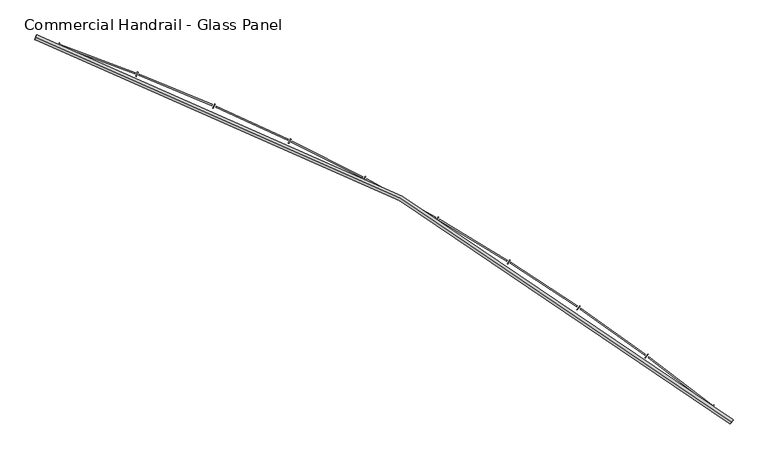
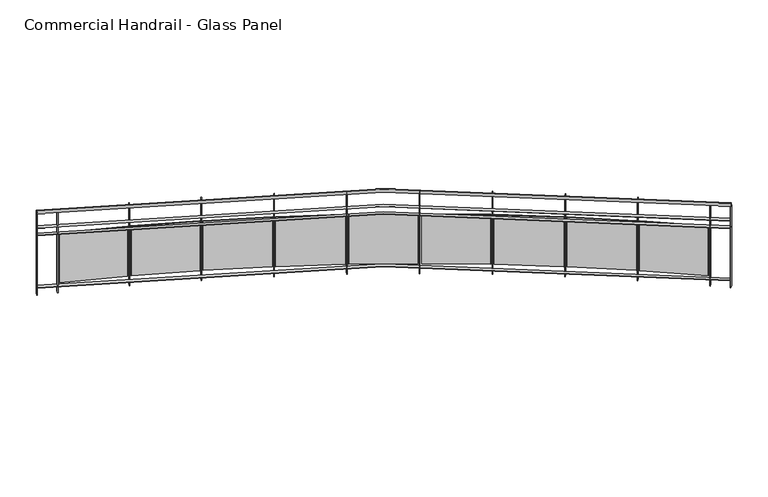
"""IFC4 building model written with IfcOpenShell, lengths in millimetres: railing geometry, Commercial Handrail - Glass Panel."""

from ifc_helpers import new_model, si_unit, point, frame, origin, place, context, project, spatial, polyline, circle_curve, ellipse_curve, trimmed, outline, extrude, source, transform, mapped, element, save
from ifc_brep_helpers import plane_surface, cylinder_surface, revolved_surface, advanced_brep


def commercial_handrail_glass_panel_5fb03b72(model_context):
    return source(origin(), model_context, "Body", "SolidModel", [
        advanced_brep(
        [(150583.3685507, -40178.0609172, 12882.5), (143915.4015975, -36490.7578825, 12882.5), (143915.4015975, -36490.7578825, 12917.5), (150583.3685507, -40178.0609172, 12917.5)],
        [
            (0, 1, circle_curve(frame((137048.5497623, -56781.179875, 12882.5), z_axis=(0.0, 0.0, 1.0), x_axis=(0.3205678761961466, 0.9472255469269671, 0.0)), 21420.8981782)),
            (1, 2, ellipse_curve(frame((143915.4015975, -36490.7578825, 12900.0), z_axis=(0.9472255469269653, -0.32056787619615223, 0.0), x_axis=(-0.32056787619615223, -0.9472255469269653, 0.0)), 25.0, 17.5)),
            (2, 3, circle_curve(frame((137048.5497623, -56781.179875, 12917.5), z_axis=(0.0, 0.0, -1.0), x_axis=(0.3205678761961466, 0.9472255469269671, 0.0)), 21420.8981782)),
            (3, 0, ellipse_curve(frame((150583.3685507, -40178.0609172, 12900.0), z_axis=(-0.7750897660636332, 0.6318511332136888, 0.0), x_axis=(-0.6318511332136887, -0.775089766063633, 0.0)), 25.0, 17.5)),
            (2, 1, ellipse_curve(frame((143915.4015975, -36490.7578825, 12900.0), z_axis=(0.9472255469269653, -0.32056787619615223, 0.0), x_axis=(-0.32056787619615223, -0.9472255469269653, 0.0)), 25.0, 17.5)),
            (0, 3, ellipse_curve(frame((150583.3685507, -40178.0609172, 12900.0), z_axis=(-0.7750897660636332, 0.6318511332136888, 0.0), x_axis=(-0.6318511332136887, -0.775089766063633, 0.0)), 25.0, 17.5)),
        ],
        [
            revolved_surface(trimmed(ellipse_curve(frame((143915.4015975, -36490.7578825, 12900.0), z_axis=(-0.9472255469269671, 0.3205678761961466, 0.0), x_axis=(0.0, 0.0, -1.0)), 17.5, 25.0), [point((143915.4015975, -36490.7578825, 12917.5))], [point((143915.4015975, -36490.7578825, 12882.5))], True, "CARTESIAN"), (137048.5497623, -56781.179875, 12900.0), (0.0, 0.0, -1.0)),
            revolved_surface(trimmed(ellipse_curve(frame((143915.4015975, -36490.7578825, 12900.0), z_axis=(-0.9472255469269671, 0.3205678761961466, 0.0), x_axis=(0.0, 0.0, -1.0)), 17.5, 25.0), [point((143915.4015975, -36490.7578825, 12882.5))], [point((143915.4015975, -36490.7578825, 12917.5))], True, "CARTESIAN"), (137048.5497623, -56781.179875, 12900.0), (0.0, 0.0, -1.0)),
            plane_surface(frame((143915.4015975, -36490.7578825, 12900.0), z_axis=(-0.9472255469269671, 0.3205678761961466, 0.0), x_axis=(0.3205678761961466, 0.9472255469269671, 0.0))),
            plane_surface(frame((150583.3685507, -40178.0609172, 12900.0), z_axis=(0.7750897660636331, -0.6318511332136886, 0.0), x_axis=(0.6318511332136886, 0.7750897660636331, 0.0))),
        ],
        [
            (0, [[1, 2, 3, 4]]),
            (1, [[-3, 5, -1, 6]]),
            (2, [[-2, -5]]),
            (3, [[-6, -4]]),
        ],
    ),
        advanced_brep(
        [(150597.5852012, -40160.6213975, 12700.0), (143922.6143747, -36469.4453077, 12700.0), (143908.1888203, -36512.0704573, 12700.0), (150569.1519002, -40195.500437, 12700.0), (150597.5852012, -40160.6213975, 12694.0), (143922.6143747, -36469.4453077, 12694.0), (150569.1519002, -40195.500437, 12694.0), (143908.1888203, -36512.0704573, 12694.0)],
        [
            (0, 1, circle_curve(frame((137048.5497623, -56781.179875, 12700.0), z_axis=(0.0, 0.0, 1.0), x_axis=(0.3205678761961466, 0.9472255469269671, 0.0)), 21443.3981782)),
            (1, 2),
            (2, 3, circle_curve(frame((137048.5497623, -56781.179875, 12700.0), z_axis=(0.0, 0.0, -1.0), x_axis=(0.3205678761961466, 0.9472255469269671, 0.0)), 21398.3981782)),
            (3, 0),
            (4, 5, circle_curve(frame((137048.5497623, -56781.179875, 12694.0), z_axis=(0.0, 0.0, 1.0), x_axis=(0.3205678761961466, 0.9472255469269671, 0.0)), 21443.3981782)),
            (5, 1),
            (0, 4),
            (6, 7, circle_curve(frame((137048.5497623, -56781.179875, 12694.0), z_axis=(0.0, 0.0, 1.0), x_axis=(0.3205678761961466, 0.9472255469269671, 0.0)), 21398.3981782)),
            (7, 5),
            (4, 6),
            (2, 7),
            (6, 3),
        ],
        [
            plane_surface(frame((137048.5497623, -56781.179875, 12700.0), z_axis=(0.0, 0.0, 1.0), x_axis=(0.3205678761961466, 0.9472255469269671, 0.0))),
            cylinder_surface(frame((137048.5497623, -56781.179875, 12700.0), z_axis=(0.0, 0.0, -1.0), x_axis=(0.3205678761961466, 0.9472255469269671, 0.0)), 21443.3981782),
            plane_surface(frame((137048.5497623, -56781.179875, 12694.0), z_axis=(0.0, 0.0, -1.0), x_axis=(0.3205678761961466, 0.9472255469269671, 0.0))),
            revolved_surface(polyline([(143908.18882028508, -36512.07045729349, 12694.0), (143908.18882028508, -36512.07045729349, 12700.0)]), (137048.5497623, -56781.179875, 12700.0), (0.0, 0.0, -1.0)),
            plane_surface(frame((143915.4015975, -36490.7578825, 12700.0), z_axis=(-0.9472255469269671, 0.3205678761961466, 0.0), x_axis=(0.3205678761961466, 0.9472255469269671, 0.0))),
            plane_surface(frame((150583.3685507, -40178.0609172, 12700.0), z_axis=(0.7750897660636331, -0.6318511332136886, 0.0), x_axis=(0.6318511332136886, 0.7750897660636331, 0.0))),
        ],
        [
            (0, [[1, 2, 3, 4]]),
            (1, [[5, 6, -1, 7]]),
            (2, [[8, 9, -5, 10]]),
            (3, [[-3, 11, -8, 12]]),
            (4, [[-2, -6, -9, -11]]),
            (5, [[-12, -10, -7, -4]]),
        ],
    ),
        advanced_brep(
        [(150597.5852012, -40160.6213975, 12600.0), (143922.6143747, -36469.4453077, 12600.0), (143908.1888203, -36512.0704573, 12600.0), (150569.1519002, -40195.500437, 12600.0), (150597.5852012, -40160.6213975, 12594.0), (143922.6143747, -36469.4453077, 12594.0), (150569.1519002, -40195.500437, 12594.0), (143908.1888203, -36512.0704573, 12594.0)],
        [
            (0, 1, circle_curve(frame((137048.5497623, -56781.179875, 12600.0), z_axis=(0.0, 0.0, 1.0), x_axis=(0.3205678761961466, 0.9472255469269671, 0.0)), 21443.3981782)),
            (1, 2),
            (2, 3, circle_curve(frame((137048.5497623, -56781.179875, 12600.0), z_axis=(0.0, 0.0, -1.0), x_axis=(0.3205678761961466, 0.9472255469269671, 0.0)), 21398.3981782)),
            (3, 0),
            (4, 5, circle_curve(frame((137048.5497623, -56781.179875, 12594.0), z_axis=(0.0, 0.0, 1.0), x_axis=(0.3205678761961466, 0.9472255469269671, 0.0)), 21443.3981782)),
            (5, 1),
            (0, 4),
            (6, 7, circle_curve(frame((137048.5497623, -56781.179875, 12594.0), z_axis=(0.0, 0.0, 1.0), x_axis=(0.3205678761961466, 0.9472255469269671, 0.0)), 21398.3981782)),
            (7, 5),
            (4, 6),
            (2, 7),
            (6, 3),
        ],
        [
            plane_surface(frame((137048.5497623, -56781.179875, 12600.0), z_axis=(0.0, 0.0, 1.0), x_axis=(0.3205678761961466, 0.9472255469269671, 0.0))),
            cylinder_surface(frame((137048.5497623, -56781.179875, 12600.0), z_axis=(0.0, 0.0, -1.0), x_axis=(0.3205678761961466, 0.9472255469269671, 0.0)), 21443.3981782),
            plane_surface(frame((137048.5497623, -56781.179875, 12594.0), z_axis=(0.0, 0.0, -1.0), x_axis=(0.3205678761961466, 0.9472255469269671, 0.0))),
            revolved_surface(polyline([(143908.18882028508, -36512.07045729349, 12594.0), (143908.18882028508, -36512.07045729349, 12600.0)]), (137048.5497623, -56781.179875, 12600.0), (0.0, 0.0, -1.0)),
            plane_surface(frame((143915.4015975, -36490.7578825, 12600.0), z_axis=(-0.9472255469269671, 0.3205678761961466, 0.0), x_axis=(0.3205678761961466, 0.9472255469269671, 0.0))),
            plane_surface(frame((150583.3685507, -40178.0609172, 12600.0), z_axis=(0.7750897660636331, -0.6318511332136886, 0.0), x_axis=(0.6318511332136886, 0.7750897660636331, 0.0))),
        ],
        [
            (0, [[1, 2, 3, 4]]),
            (1, [[5, 6, -1, 7]]),
            (2, [[8, 9, -5, 10]]),
            (3, [[-3, 11, -8, 12]]),
            (4, [[-2, -6, -9, -11]]),
            (5, [[-12, -10, -7, -4]]),
        ],
    ),
        advanced_brep(
        [(150597.5852012, -40160.6213975, 11900.0), (143922.6143747, -36469.4453077, 11900.0), (143908.1888203, -36512.0704573, 11900.0), (150569.1519002, -40195.500437, 11900.0), (150597.5852012, -40160.6213975, 11894.0), (143922.6143747, -36469.4453077, 11894.0), (150569.1519002, -40195.500437, 11894.0), (143908.1888203, -36512.0704573, 11894.0)],
        [
            (0, 1, circle_curve(frame((137048.5497623, -56781.179875, 11900.0), z_axis=(0.0, 0.0, 1.0), x_axis=(0.3205678761961466, 0.9472255469269671, 0.0)), 21443.3981782)),
            (1, 2),
            (2, 3, circle_curve(frame((137048.5497623, -56781.179875, 11900.0), z_axis=(0.0, 0.0, -1.0), x_axis=(0.3205678761961466, 0.9472255469269671, 0.0)), 21398.3981782)),
            (3, 0),
            (4, 5, circle_curve(frame((137048.5497623, -56781.179875, 11894.0), z_axis=(0.0, 0.0, 1.0), x_axis=(0.3205678761961466, 0.9472255469269671, 0.0)), 21443.3981782)),
            (5, 1),
            (0, 4),
            (6, 7, circle_curve(frame((137048.5497623, -56781.179875, 11894.0), z_axis=(0.0, 0.0, 1.0), x_axis=(0.3205678761961466, 0.9472255469269671, 0.0)), 21398.3981782)),
            (7, 5),
            (4, 6),
            (2, 7),
            (6, 3),
        ],
        [
            plane_surface(frame((137048.5497623, -56781.179875, 11900.0), z_axis=(0.0, 0.0, 1.0), x_axis=(0.3205678761961466, 0.9472255469269671, 0.0))),
            cylinder_surface(frame((137048.5497623, -56781.179875, 11900.0), z_axis=(0.0, 0.0, -1.0), x_axis=(0.3205678761961466, 0.9472255469269671, 0.0)), 21443.3981782),
            plane_surface(frame((137048.5497623, -56781.179875, 11894.0), z_axis=(0.0, 0.0, -1.0), x_axis=(0.3205678761961466, 0.9472255469269671, 0.0))),
            revolved_surface(polyline([(143908.18882028508, -36512.07045729349, 11894.0), (143908.18882028508, -36512.07045729349, 11900.0)]), (137048.5497623, -56781.179875, 11900.0), (0.0, 0.0, -1.0)),
            plane_surface(frame((143915.4015975, -36490.7578825, 11900.0), z_axis=(-0.9472255469269671, 0.3205678761961466, 0.0), x_axis=(0.3205678761961466, 0.9472255469269671, 0.0))),
            plane_surface(frame((150583.3685507, -40178.0609172, 11900.0), z_axis=(0.7750897660636331, -0.6318511332136886, 0.0), x_axis=(0.6318511332136886, 0.7750897660636331, 0.0))),
        ],
        [
            (0, [[1, 2, 3, 4]]),
            (1, [[5, 6, -1, 7]]),
            (2, [[8, 9, -5, 10]]),
            (3, [[-3, 11, -8, 12]]),
            (4, [[-2, -6, -9, -11]]),
            (5, [[-12, -10, -7, -4]]),
        ],
    ),
        extrude(outline(polyline([(150387.8172497, -40049.3121821), (150415.8741434, -40014.1296479), (150420.565148, -40017.8705671), (150392.5082542, -40053.0531013), (150387.8172497, -40049.3121821)])), frame((0.0, 0.0, 11800.0), z_axis=(0.0, 0.0, 1.0), x_axis=(1.0, 0.0, 0.0)), (0.0, 0.0, 1.0), 1082.1192282),
        extrude(outline(polyline([(149791.3308783, -39551.0349259), (150394.2690459, -40013.7071274), (150386.9636954, -40023.2272037), (149784.0255278, -39560.5550022), (149791.3308783, -39551.0349259)])), frame((0.0, 0.0, 11920.0), z_axis=(0.0, 0.0, 1.0), x_axis=(1.0, 0.0, 0.0)), (0.0, 0.0, 1.0), 660.0),
        extrude(outline(polyline([(149753.7807796, -39562.917524), (149780.5044628, -39526.7119338), (149785.3318748, -39530.2750916), (149758.6081917, -39566.4806817), (149753.7807796, -39562.917524)])), frame((0.0, 0.0, 11800.0), z_axis=(0.0, 0.0, 1.0), x_axis=(1.0, 0.0, 0.0)), (0.0, 0.0, 1.0), 1082.1192282),
        extrude(outline(polyline([(149139.1056536, -39087.2593434), (149758.8986545, -39527.0963996), (149751.9538589, -39536.8826049), (149132.160858, -39097.0455487), (149139.1056536, -39087.2593434)])), frame((0.0, 0.0, 11920.0), z_axis=(0.0, 0.0, 1.0), x_axis=(1.0, 0.0, 0.0)), (0.0, 0.0, 1.0), 660.0),
        extrude(outline(polyline([(149102.0254116, -39100.5357023), (149127.3786149, -39063.3575489), (149132.335702, -39066.737976), (149106.9824987, -39103.9161294), (149102.0254116, -39100.5357023)])), frame((0.0, 0.0, 11800.0), z_axis=(0.0, 0.0, 1.0), x_axis=(1.0, 0.0, 0.0)), (0.0, 0.0, 1.0), 1082.1192282),
        extrude(outline(polyline([(148470.0187657, -38648.1599571), (149105.8022278, -39064.5484649), (149099.2276724, -39074.5871511), (148463.4442103, -38658.1986434), (148470.0187657, -38648.1599571)])), frame((0.0, 0.0, 11920.0), z_axis=(0.0, 0.0, 1.0), x_axis=(1.0, 0.0, 0.0)), (0.0, 0.0, 1.0), 660.0),
        extrude(outline(polyline([(148433.4600931, -38662.8115613), (148457.4074585, -38624.712694), (148462.4873075, -38627.9056761), (148438.5399421, -38666.0045433), (148433.4600931, -38662.8115613)])), frame((0.0, 0.0, 11800.0), z_axis=(0.0, 0.0, 1.0), x_axis=(1.0, 0.0, 0.0)), (0.0, 0.0, 1.0), 1082.1192282),
        extrude(outline(polyline([(147785.0033328, -38234.3491413), (148435.8905832, -38626.7083992), (148429.695437, -38636.9855663), (147778.8081866, -38244.6263084), (147785.0033328, -38234.3491413)])), frame((0.0, 0.0, 11920.0), z_axis=(0.0, 0.0, 1.0), x_axis=(1.0, 0.0, 0.0)), (0.0, 0.0, 1.0), 660.0),
        extrude(outline(polyline([(147749.0172148, -38250.3555574), (147771.5253451, -38211.3891094), (147776.7208715, -38214.3901934), (147754.2127412, -38253.3566414), (147749.0172148, -38250.3555574)])), frame((0.0, 0.0, 11800.0), z_axis=(0.0, 0.0, 1.0), x_axis=(1.0, 0.0, 0.0)), (0.0, 0.0, 1.0), 1082.1192282),
        extrude(outline(polyline([(147085.0146873, -37846.4040024), (147750.0979893, -38214.1868206), (147744.2908922, -38224.6881359), (147079.2075902, -37856.9053177), (147085.0146873, -37846.4040024)])), frame((0.0, 0.0, 11920.0), z_axis=(0.0, 0.0, 1.0), x_axis=(1.0, 0.0, 0.0)), (0.0, 0.0, 1.0), 660.0),
        extrude(outline(polyline([(147049.6513106, -37863.7429077), (147070.6888157, -37823.9632221), (147075.9927737, -37826.7682228), (147054.9552687, -37866.5479084), (147049.6513106, -37863.7429077)])), frame((0.0, 0.0, 11800.0), z_axis=(0.0, 0.0, 1.0), x_axis=(1.0, 0.0, 0.0)), (0.0, 0.0, 1.0), 1082.1192282),
        extrude(outline(polyline([(146371.0290434, -37484.8655743), (147049.3808623, -37827.5590376), (147043.9699129, -37838.2698558), (146365.618094, -37495.5763925), (146371.0290434, -37484.8655743)])), frame((0.0, 0.0, 11920.0), z_axis=(0.0, 0.0, 1.0), x_axis=(1.0, 0.0, 0.0)), (0.0, 0.0, 1.0), 660.0),
        extrude(outline(polyline([(146336.3377264, -37503.5127878), (146355.8752669, -37462.975342), (146361.2802597, -37465.5803474), (146341.7427192, -37506.1177932), (146336.3377264, -37503.5127878)])), frame((0.0, 0.0, 11800.0), z_axis=(0.0, 0.0, 1.0), x_axis=(1.0, 0.0, 0.0)), (0.0, 0.0, 1.0), 1082.1192282),
        extrude(outline(polyline([(145644.0421358, -37150.2380638), (146334.7164324, -37467.364247), (146329.7091769, -37478.2696306), (145639.0348803, -37161.1434474), (145644.0421358, -37150.2380638)])), frame((0.0, 0.0, 11920.0), z_axis=(0.0, 0.0, 1.0), x_axis=(1.0, 0.0, 0.0)), (0.0, 0.0, 1.0), 660.0),
        extrude(outline(polyline([(145610.0712594, -37170.1675797), (145628.0815881, -37128.9289078), (145633.5800777, -37131.3302849), (145615.569749, -37172.5689569), (145610.0712594, -37170.1675797)])), frame((0.0, 0.0, 11800.0), z_axis=(0.0, 0.0, 1.0), x_axis=(1.0, 0.0, 0.0)), (0.0, 0.0, 1.0), 1082.1192282),
        extrude(outline(polyline([(144905.0678309, -36842.9881472), (145607.1013808, -37134.1047815), (145602.5048024, -37145.1895217), (144900.4712525, -36854.0728874), (144905.0678309, -36842.9881472)])), frame((0.0, 0.0, 11920.0), z_axis=(0.0, 0.0, 1.0), x_axis=(1.0, 0.0, 0.0)), (0.0, 0.0, 1.0), 660.0),
        extrude(outline(polyline([(144871.8647714, -36864.1721715), (144888.3227707, -36822.2897855), (144893.9070889, -36824.4841854), (144877.4490896, -36866.3665714), (144871.8647714, -36864.1721715)])), frame((0.0, 0.0, 11800.0), z_axis=(0.0, 0.0, 1.0), x_axis=(1.0, 0.0, 0.0)), (0.0, 0.0, 1.0), 1082.1192282),
        extrude(outline(polyline([(144155.1367129, -36563.5443196), (144867.5504501, -36828.2454095), (144863.3709592, -36839.4940475), (144150.957222, -36574.7929575), (144155.1367129, -36563.5443196)])), frame((0.0, 0.0, 11920.0), z_axis=(0.0, 0.0, 1.0), x_axis=(1.0, 0.0, 0.0)), (0.0, 0.0, 1.0), 660.0),
        extrude(outline(polyline([(144122.7477757, -36585.9533088), (144137.6304932, -36543.4856185), (144143.2928519, -36545.4699808), (144128.4101344, -36587.9376712), (144122.7477757, -36585.9533088)])), frame((0.0, 0.0, 11800.0), z_axis=(0.0, 0.0, 1.0), x_axis=(1.0, 0.0, 0.0)), (0.0, 0.0, 1.0), 1082.1192282),
        extrude(outline(polyline([(150566.8266309, -40193.6048836), (150595.2599319, -40158.7258441), (150599.9104705, -40162.5169509), (150571.4771695, -40197.3959904), (150566.8266309, -40193.6048836)])), frame((0.0, 0.0, 11800.0), z_axis=(0.0, 0.0, 1.0), x_axis=(1.0, 0.0, 0.0)), (0.0, 0.0, 1.0), 1082.1192282),
        extrude(outline(polyline([(143905.3471437, -36511.1087537), (143919.7726981, -36468.4836041), (143925.4560514, -36470.4070113), (143911.030497, -36513.032161), (143905.3471437, -36511.1087537)])), frame((0.0, 0.0, 11800.0), z_axis=(0.0, 0.0, 1.0), x_axis=(1.0, 0.0, 0.0)), (0.0, 0.0, 1.0), 1082.1192282),
    ])


if __name__ == "__main__":
    model = new_model("IFC4")
    model_context = context("Model", 3, world=origin())
    ifc_project = project(units=[si_unit("LENGTHUNIT", "METRE", prefix="MILLI")], contexts=[model_context])
    site = spatial("IfcSite", under=ifc_project)
    building = spatial("IfcBuilding", under=site)
    placement = place(None, origin())
    commercial_handrail_glass_panel_shape = commercial_handrail_glass_panel_5fb03b72(model_context)
    element("IfcRailing", 1, ObjectType="Commercial Handrail - Glass Panel", at=placement, inside=building, context=model_context, shape_type="MappedRepresentation", body=[
        mapped(commercial_handrail_glass_panel_shape, transform((0.0, 0.0, 0.0), x_axis=(1.0, 0.0, 0.0), y_axis=(0.0, 1.0, 0.0), z_axis=(0.0, 0.0, 1.0))),
    ])
    save(model, "model.ifc")
